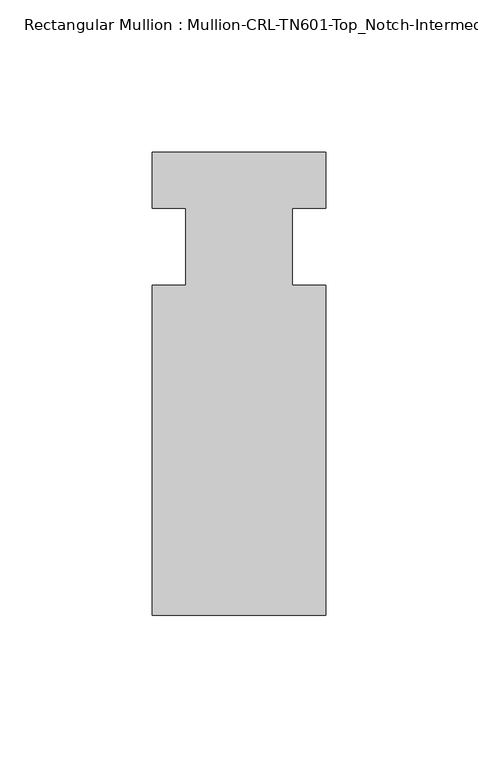
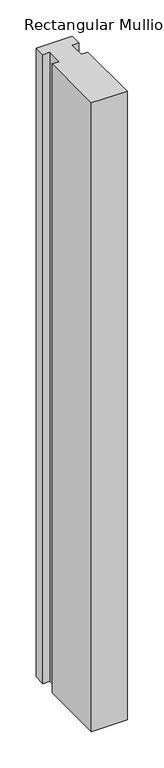
"""IFC4 building model written with IfcOpenShell, lengths in millimetres: member geometry, Rectangular Mullion : Mullion-CRL-TN601-Top_Notch-Intermediate_Horizontal."""

from ifc_helpers import new_model, si_unit, frame, origin, place, context, project, spatial, polyline, outline, extrude, source, transform, mapped, element, save


def rectangular_mullion_mullion_crl_tn601_top_notch_intermediate_62e83f02(model_context):
    return source(origin(), model_context, "Body", "SweptSolid", [
        extrude(outline(polyline([(-28.575, -12.7), (-17.4625, -12.7), (-17.4625, 12.7), (-28.575, 12.7), (-28.575, 31.140391), (28.575, 31.140391), (28.575, 12.7), (17.4625, 12.7), (17.4625, -12.7), (28.575, -12.7), (28.575, -121.259591), (-28.575, -121.259591), (-28.575, -12.7)])), frame((0.0, 0.0, -1059.4298439), z_axis=(0.0, 0.0, 1.0), x_axis=(1.0, 0.0, 0.0)), (0.0, 0.0, 1.0), 1059.4298439),
    ])


if __name__ == "__main__":
    model = new_model("IFC4")
    model_context = context("Model", 3, world=origin())
    ifc_project = project(units=[si_unit("LENGTHUNIT", "METRE", prefix="MILLI")], contexts=[model_context])
    site = spatial("IfcSite", under=ifc_project)
    building = spatial("IfcBuilding", under=site)
    placement = place(None, origin())
    rectangular_mullion_mullion_crl_tn601_top_notch_intermediate_shape = rectangular_mullion_mullion_crl_tn601_top_notch_intermediate_62e83f02(model_context)
    element("IfcMember", 1, ObjectType="Rectangular Mullion : Mullion-CRL-TN601-Top_Notch-Intermediate_Horizontal", at=placement, inside=building, context=model_context, shape_type="MappedRepresentation", body=[
        mapped(rectangular_mullion_mullion_crl_tn601_top_notch_intermediate_shape, transform((0.0, 0.0, 0.0), x_axis=(1.0, 0.0, 0.0), y_axis=(0.0, 1.0, 0.0), z_axis=(0.0, 0.0, 1.0))),
    ])
    save(model, "model.ifc")
